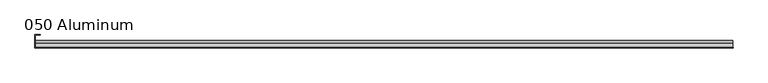
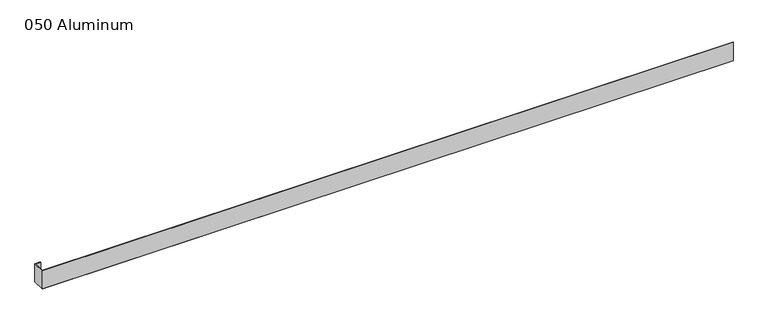
"""IFC4 building model written with IfcOpenShell, lengths in millimetres: plate geometry, 050 Aluminum."""

from ifc_helpers import new_model, si_unit, point, frame, frame_2d, origin, origin_with_axes, place, context, project, spatial, polyline, circle_curve, trimmed, segment, composite_curve, outline, extrude, source, transform, mapped, element, save


def plate_050_aluminum_829234aa(model_context):
    return source(origin(), model_context, "Body", "SweptSolid", [
        extrude(outline(polyline([(-919.4799998, -2.5660257), (-919.4799998, -34.7980001), (-920.7499998, -34.7980001), (-920.7499998, -1.2699999), (-906.5894993, -1.2699999), (-906.5894993, -2.5660257), (-919.4799998, -2.5660257)])), origin_with_axes(), (0.0, 0.0, 1.0), 50.5590518),
        extrude(outline(composite_curve([segment(polyline([(-16.6765477, 13.1458337), (-16.6765477, 2.786437), (-17.9464915, 2.786437), (-17.9464915, 13.1323356)]), True, "CONTINUOUS"), segment(trimmed(circle_curve(frame_2d((-19.8514743, 13.124237)), 1.905), [point((-17.9464915, 13.1323356))], [point((-21.7564743, 13.124237))], True, "CARTESIAN"), True, "CONTINUOUS"), segment(polyline([(-21.7564743, 13.124237), (-21.7564743, 0.0), (-34.7980002, 0.0), (-34.7980002, 1.2693678), (-23.0264743, 1.2693678), (-23.0264743, 13.124237)]), True, "CONTINUOUS"), segment(trimmed(circle_curve(frame_2d((-19.8514743, 13.124237)), 3.175), [point((-23.0264743, 13.124237))], [point((-16.6765477, 13.1458337))], False, "CARTESIAN"), True, "CONTINUOUS")], self_intersect=False)), frame((-919.4799998, 0.0, 0.0), z_axis=(1.0, 0.0, 0.0), x_axis=(0.0, 1.0, 0.0)), (0.0, 0.0, 1.0), 1838.9599997),
        extrude(outline(polyline([(-920.7499998, -36.068), (-920.7499998, -34.7980001), (920.7499998, -34.7980001), (920.7499998, -36.068), (-920.7499998, -36.068)])), origin_with_axes(), (0.0, 0.0, 1.0), 51.8290518),
    ])


if __name__ == "__main__":
    model = new_model("IFC4")
    model_context = context("Model", 3, world=origin())
    ifc_project = project(units=[si_unit("LENGTHUNIT", "METRE", prefix="MILLI")], contexts=[model_context])
    site = spatial("IfcSite", under=ifc_project)
    building = spatial("IfcBuilding", under=site)
    placement = place(None, origin())
    plate_050_aluminum_shape = plate_050_aluminum_829234aa(model_context)
    element("IfcPlate", 1, ObjectType="050 Aluminum", at=placement, inside=building, context=model_context, shape_type="MappedRepresentation", body=[
        mapped(plate_050_aluminum_shape, transform((0.0, 0.0, 0.0), x_axis=(1.0, 0.0, 0.0), y_axis=(0.0, 1.0, 0.0), z_axis=(0.0, 0.0, 1.0))),
    ])
    save(model, "model.ifc")
